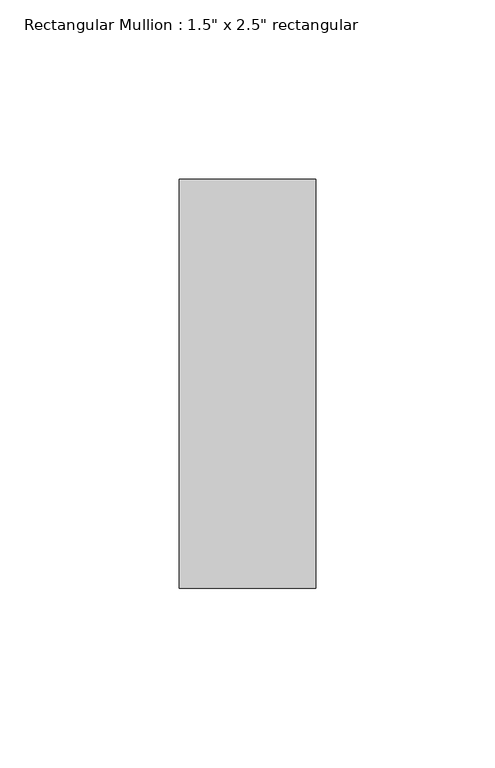
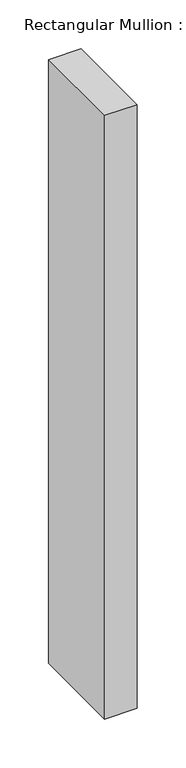
"""IFC4 building model written with IfcOpenShell, lengths in millimetres: member geometry."""

import ifcopenshell
import ifcopenshell.guid

model = None  # the IFC model being written
_history = None  # IfcOwnerHistory: only IFC2X3 demands one
_inside = {}  # id of a spatial element -> (the spatial element, [elements in it])
_under = {}  # id of a project, library or spatial element -> (it, [spatial elements below it])
_declared = {}  # id of a project -> (the project, [libraries it declares])
_typed = {}  # id of a type object -> (the type object, [elements of that type])
_made_of = {}  # id of a material, layer set ... -> (it, [elements and type objects made of it])


def new_model(schema):
    """Start an empty IFC model of exactly this schema.

    Asked for "IFC4X3", IfcOpenShell would pick the latest addendum, in which some entities
    have other attributes; the version numbers below select the first issue.
    IFC2X3 requires an IfcOwnerHistory on every rooted entity: one is made here for all.
    """
    global model, _history
    if schema == "IFC4X3":
        model = ifcopenshell.file(schema_version=(4, 3, 0, 0))
    else:
        model = ifcopenshell.file(schema=schema)
    _inside.clear()
    _under.clear()
    _declared.clear()
    _typed.clear()
    _made_of.clear()
    _history = None
    if model.schema == "IFC2X3":
        org = make("IfcOrganization", Name="unknown")
        user = make(
            "IfcPersonAndOrganization",
            ThePerson=make("IfcPerson", FamilyName="unknown"),
            TheOrganization=org,
        )
        app = make(
            "IfcApplication",
            ApplicationDeveloper=org,
            Version="unknown",
            ApplicationFullName="unknown",
            ApplicationIdentifier="unknown",
        )
        _history = make(
            "IfcOwnerHistory",
            OwningUser=user,
            OwningApplication=app,
            ChangeAction="ADDED",
            CreationDate=0,
        )
    return model


def make(cls, **values):
    """One entity of the class cls with the attributes given. An attribute that is None is left unset."""
    return model.create_entity(
        cls, **{name: value for name, value in values.items() if value is not None}
    )


def rooted(cls, **values):
    """An entity with a GlobalId (a new one), such as an element, a storey or a relation."""
    return make(cls, GlobalId=ifcopenshell.guid.new(), OwnerHistory=_history, **values)


def si_unit(unit_type, name, prefix=None):
    """IfcSIUnit, for example si_unit("LENGTHUNIT", "METRE", prefix="MILLI")."""
    return make("IfcSIUnit", UnitType=unit_type, Prefix=prefix, Name=name)


def assignment(units):
    """IfcUnitAssignment: the units of a project."""
    return None if units is None else make("IfcUnitAssignment", Units=units)


def point(xyz):
    """IfcCartesianPoint."""
    return None if xyz is None else make("IfcCartesianPoint", Coordinates=xyz)


def direction(xyz):
    """IfcDirection."""
    return None if xyz is None else make("IfcDirection", DirectionRatios=xyz)


def frame(location, z_axis=None, x_axis=None):
    """IfcAxis2Placement3D, a coordinate frame: its origin and axes. An axis left out is left unset."""
    return make(
        "IfcAxis2Placement3D",
        Location=point(location),
        Axis=direction(z_axis),
        RefDirection=direction(x_axis),
    )


def origin():
    """The frame at (0, 0, 0) with its axes left unset."""
    return frame((0.0, 0.0, 0.0))


def place(relative_to, where):
    """IfcLocalPlacement: puts the frame where relative to a parent placement (None: the world)."""
    return make(
        "IfcLocalPlacement", PlacementRelTo=relative_to, RelativePlacement=where
    )


def context(
    kind, dimensions, precision=None, world=None, true_north=None, identifier=None
):
    """IfcGeometricRepresentationContext, for example the 3D "Model" context."""
    return make(
        "IfcGeometricRepresentationContext",
        ContextIdentifier=identifier,
        ContextType=kind,
        CoordinateSpaceDimension=dimensions,
        Precision=precision,
        WorldCoordinateSystem=world,
        TrueNorth=true_north,
    )


def project(units=None, contexts=None):
    """IfcProject with its units and contexts."""
    return rooted(
        "IfcProject",
        Name="project",
        RepresentationContexts=contexts,
        UnitsInContext=assignment(units),
    )


def spatial(cls, under=None, at=None, **own):
    """A site, building, storey or space (cls), placed at a placement, below another one or the project."""
    s = rooted(cls, ObjectPlacement=at, **own)
    if under is not None:
        _under.setdefault(under.id(), (under, []))[1].append(s)
    return s


def polyline(points):
    """IfcPolyline through the points."""
    return make("IfcPolyline", Points=[point(p) for p in points])


def outline(outer, holes=None, kind="AREA"):
    """IfcArbitraryClosedProfileDef: a profile drawn as a closed curve; with holes, ...WithVoids."""
    if holes is None:
        return make("IfcArbitraryClosedProfileDef", ProfileType=kind, OuterCurve=outer)
    return make(
        "IfcArbitraryProfileDefWithVoids",
        ProfileType=kind,
        OuterCurve=outer,
        InnerCurves=holes,
    )


def extrude(swept, where, along, depth):
    """IfcExtrudedAreaSolid: the profile swept, set in the frame where, extruded along a direction by depth."""
    return make(
        "IfcExtrudedAreaSolid",
        SweptArea=swept,
        Position=where,
        ExtrudedDirection=direction(along),
        Depth=depth,
    )


def shape(context_of_items, identifier, shape_type, items):
    """IfcShapeRepresentation: the items that make up one representation, for example the "Body"."""
    return make(
        "IfcShapeRepresentation",
        ContextOfItems=context_of_items,
        RepresentationIdentifier=identifier,
        RepresentationType=shape_type,
        Items=items,
    )


def source(mapping_origin, context_of_items, identifier, shape_type, items):
    """IfcRepresentationMap: a shape defined once, which mapped items show again and again."""
    return make(
        "IfcRepresentationMap",
        MappingOrigin=mapping_origin,
        MappedRepresentation=shape(context_of_items, identifier, shape_type, items),
    )


def transform(
    local_origin,
    x_axis=None,
    y_axis=None,
    z_axis=None,
    scale=None,
    scale2=None,
    scale3=None,
    uniform=True,
):
    """IfcCartesianTransformationOperator3D, or its non-uniform kind. x_axis, y_axis, z_axis: its Axis1, 2, 3."""
    if uniform:
        return make(
            "IfcCartesianTransformationOperator3D",
            Axis1=direction(x_axis),
            Axis2=direction(y_axis),
            LocalOrigin=point(local_origin),
            Scale=scale,
            Axis3=direction(z_axis),
        )
    return make(
        "IfcCartesianTransformationOperator3DnonUniform",
        Axis1=direction(x_axis),
        Axis2=direction(y_axis),
        LocalOrigin=point(local_origin),
        Scale=scale,
        Axis3=direction(z_axis),
        Scale2=scale2,
        Scale3=scale3,
    )


def mapped(mapping_source, mapping_target):
    """IfcMappedItem: shows the shape of a source again, moved by a transform."""
    return make(
        "IfcMappedItem", MappingSource=mapping_source, MappingTarget=mapping_target
    )


def made_of(thing, what):
    """Note that an element or type object is made of a material, layer set ...; save() writes the relation."""
    if what is not None:
        _made_of.setdefault(what.id(), (what, []))[1].append(thing)
    return thing


def element(
    cls,
    number,
    at=None,
    inside=None,
    cuts=None,
    type_object=None,
    material=None,
    context=None,
    identifier="Body",
    shape_type=None,
    held_by="IfcProductDefinitionShape",
    body=None,
    shapes=None,
    **own,
):
    """One element of the class cls, such as IfcWall. Its Tag is "e" and its number.

    at: its placement. inside: the storey or other place that contains it. cuts: it is an
    opening in that element (IfcRelVoidsElement). A single representation is given by context,
    identifier, shape_type and body (its items); several are given by shapes. held_by: the class
    of the entity that holds the representations. save() writes the other relations.
    """
    e = rooted(cls, Tag="e%d" % number, ObjectPlacement=at, **own)
    if body is not None:
        shapes = [shape(context, identifier, shape_type, body)]
    if shapes is not None:
        e.Representation = make(held_by, Representations=shapes)
    if inside is not None:
        _inside.setdefault(inside.id(), (inside, []))[1].append(e)
    if cuts is not None:
        rooted(
            "IfcRelVoidsElement", RelatingBuildingElement=cuts, RelatedOpeningElement=e
        )
    if type_object is not None:
        _typed.setdefault(type_object.id(), (type_object, []))[1].append(e)
    return made_of(e, material)


def aggregate(whole, parts):
    """IfcRelAggregates: a whole, such as a stair, and the parts it consists of."""
    return rooted("IfcRelAggregates", RelatingObject=whole, RelatedObjects=parts)


def save(model, path):
    """Write the relations noted so far, then the file.

    IfcRelAggregates (storeys below a building ...), IfcRelContainedInSpatialStructure (elements
    in a storey), IfcRelDefinesByType, IfcRelAssociatesMaterial and IfcRelDeclares: one each for
    every whole, place, type object, material and project.
    """
    for whole, parts in _under.values():
        aggregate(whole, parts)
    for where, things in _inside.values():
        rooted(
            "IfcRelContainedInSpatialStructure",
            RelatedElements=things,
            RelatingStructure=where,
        )
    for kind, things in _typed.values():
        rooted("IfcRelDefinesByType", RelatedObjects=things, RelatingType=kind)
    for what, things in _made_of.values():
        rooted("IfcRelAssociatesMaterial", RelatedObjects=things, RelatingMaterial=what)
    for by, libraries in _declared.values():
        rooted("IfcRelDeclares", RelatingContext=by, RelatedDefinitions=libraries)
    model.write(path)


def member_9082b846(model_context):
    return source(origin(), model_context, "Body", "SweptSolid", [
        extrude(outline(polyline([(0.0, 57.15), (0.0, -57.15), (-38.1, -57.15), (-38.1, 57.15), (0.0, 57.15)])), frame((0.0, 0.0, -752.475), z_axis=(0.0, 0.0, 1.0), x_axis=(1.0, 0.0, 0.0)), (0.0, 0.0, 1.0), 752.475),
    ])


if __name__ == "__main__":
    model = new_model("IFC4")
    model_context = context("Model", 3, world=origin())
    ifc_project = project(units=[si_unit("LENGTHUNIT", "METRE", prefix="MILLI")], contexts=[model_context])
    site = spatial("IfcSite", under=ifc_project)
    building = spatial("IfcBuilding", under=site)
    placement = place(None, origin())
    member_shape = member_9082b846(model_context)
    element("IfcMember", 1, ObjectType="Rectangular Mullion : 1.5\" x 2.5\" rectangular", at=placement, inside=building, context=model_context, shape_type="MappedRepresentation", body=[
        mapped(member_shape, transform((0.0, 0.0, 0.0), x_axis=(1.0, 0.0, 0.0), y_axis=(0.0, 1.0, 0.0), z_axis=(0.0, 0.0, 1.0))),
    ])
    save(model, "model.ifc")
